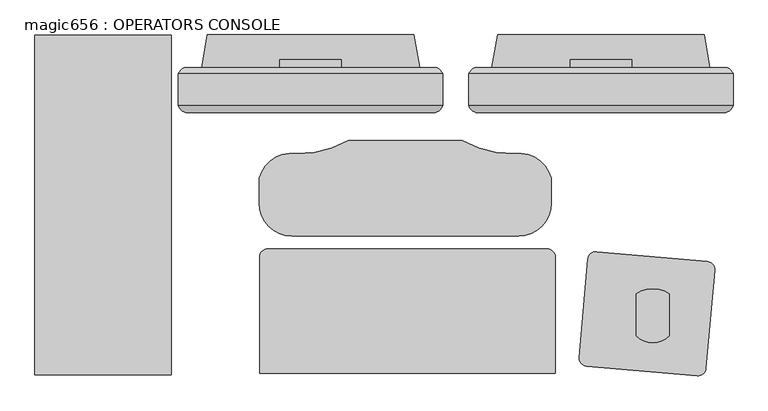
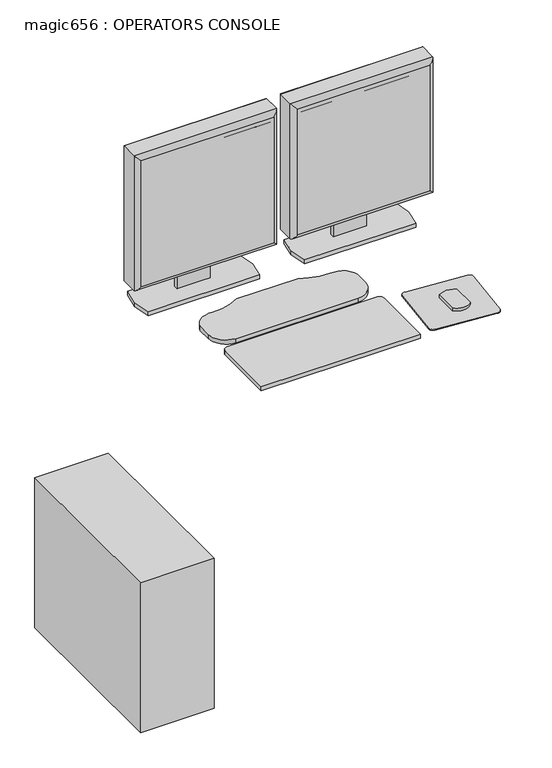
"""IFC4 building model written with IfcOpenShell, lengths in millimetres: proxy geometry, magic656 : OPERATORS CONSOLE."""

import ifcopenshell
import ifcopenshell.guid

model = None  # the IFC model being written
_history = None  # IfcOwnerHistory: only IFC2X3 demands one
_inside = {}  # id of a spatial element -> (the spatial element, [elements in it])
_under = {}  # id of a project, library or spatial element -> (it, [spatial elements below it])
_declared = {}  # id of a project -> (the project, [libraries it declares])
_typed = {}  # id of a type object -> (the type object, [elements of that type])
_made_of = {}  # id of a material, layer set ... -> (it, [elements and type objects made of it])


def new_model(schema):
    """Start an empty IFC model of exactly this schema.

    Asked for "IFC4X3", IfcOpenShell would pick the latest addendum, in which some entities
    have other attributes; the version numbers below select the first issue.
    IFC2X3 requires an IfcOwnerHistory on every rooted entity: one is made here for all.
    """
    global model, _history
    if schema == "IFC4X3":
        model = ifcopenshell.file(schema_version=(4, 3, 0, 0))
    else:
        model = ifcopenshell.file(schema=schema)
    _inside.clear()
    _under.clear()
    _declared.clear()
    _typed.clear()
    _made_of.clear()
    _history = None
    if model.schema == "IFC2X3":
        org = make("IfcOrganization", Name="unknown")
        user = make(
            "IfcPersonAndOrganization",
            ThePerson=make("IfcPerson", FamilyName="unknown"),
            TheOrganization=org,
        )
        app = make(
            "IfcApplication",
            ApplicationDeveloper=org,
            Version="unknown",
            ApplicationFullName="unknown",
            ApplicationIdentifier="unknown",
        )
        _history = make(
            "IfcOwnerHistory",
            OwningUser=user,
            OwningApplication=app,
            ChangeAction="ADDED",
            CreationDate=0,
        )
    return model


def make(cls, **values):
    """One entity of the class cls with the attributes given. An attribute that is None is left unset."""
    return model.create_entity(
        cls, **{name: value for name, value in values.items() if value is not None}
    )


def rooted(cls, **values):
    """An entity with a GlobalId (a new one), such as an element, a storey or a relation."""
    return make(cls, GlobalId=ifcopenshell.guid.new(), OwnerHistory=_history, **values)


def si_unit(unit_type, name, prefix=None):
    """IfcSIUnit, for example si_unit("LENGTHUNIT", "METRE", prefix="MILLI")."""
    return make("IfcSIUnit", UnitType=unit_type, Prefix=prefix, Name=name)


def assignment(units):
    """IfcUnitAssignment: the units of a project."""
    return None if units is None else make("IfcUnitAssignment", Units=units)


def point(xyz):
    """IfcCartesianPoint."""
    return None if xyz is None else make("IfcCartesianPoint", Coordinates=xyz)


def direction(xyz):
    """IfcDirection."""
    return None if xyz is None else make("IfcDirection", DirectionRatios=xyz)


def frame(location, z_axis=None, x_axis=None):
    """IfcAxis2Placement3D, a coordinate frame: its origin and axes. An axis left out is left unset."""
    return make(
        "IfcAxis2Placement3D",
        Location=point(location),
        Axis=direction(z_axis),
        RefDirection=direction(x_axis),
    )


def frame_2d(location, x_axis=None):
    """IfcAxis2Placement2D, a coordinate frame in the plane: its origin and x axis."""
    return make(
        "IfcAxis2Placement2D", Location=point(location), RefDirection=direction(x_axis)
    )


def origin():
    """The frame at (0, 0, 0) with its axes left unset."""
    return frame((0.0, 0.0, 0.0))


def origin_with_axes():
    """The frame at (0, 0, 0) with the z axis (0, 0, 1) and the x axis (1, 0, 0) written out."""
    return frame((0.0, 0.0, 0.0), z_axis=(0.0, 0.0, 1.0), x_axis=(1.0, 0.0, 0.0))


def place(relative_to, where):
    """IfcLocalPlacement: puts the frame where relative to a parent placement (None: the world)."""
    return make(
        "IfcLocalPlacement", PlacementRelTo=relative_to, RelativePlacement=where
    )


def context(
    kind, dimensions, precision=None, world=None, true_north=None, identifier=None
):
    """IfcGeometricRepresentationContext, for example the 3D "Model" context."""
    return make(
        "IfcGeometricRepresentationContext",
        ContextIdentifier=identifier,
        ContextType=kind,
        CoordinateSpaceDimension=dimensions,
        Precision=precision,
        WorldCoordinateSystem=world,
        TrueNorth=true_north,
    )


def project(units=None, contexts=None):
    """IfcProject with its units and contexts."""
    return rooted(
        "IfcProject",
        Name="project",
        RepresentationContexts=contexts,
        UnitsInContext=assignment(units),
    )


def spatial(cls, under=None, at=None, **own):
    """A site, building, storey or space (cls), placed at a placement, below another one or the project."""
    s = rooted(cls, ObjectPlacement=at, **own)
    if under is not None:
        _under.setdefault(under.id(), (under, []))[1].append(s)
    return s


def polyline(points):
    """IfcPolyline through the points."""
    return make("IfcPolyline", Points=[point(p) for p in points])


def circle_curve(where, radius):
    """IfcCircle in the frame where."""
    return make("IfcCircle", Position=where, Radius=radius)


def ellipse_curve(where, semi_axis1, semi_axis2):
    """IfcEllipse in the frame where."""
    return make(
        "IfcEllipse", Position=where, SemiAxis1=semi_axis1, SemiAxis2=semi_axis2
    )


def trimmed(basis, trim1, trim2, sense, master):
    """IfcTrimmedCurve: the piece of a basis curve between two trims."""
    return make(
        "IfcTrimmedCurve",
        BasisCurve=basis,
        Trim1=trim1,
        Trim2=trim2,
        SenseAgreement=sense,
        MasterRepresentation=master,
    )


def segment(curve, same_sense, transition):
    """IfcCompositeCurveSegment."""
    return make(
        "IfcCompositeCurveSegment",
        Transition=transition,
        SameSense=same_sense,
        ParentCurve=curve,
    )


def composite_curve(segments, self_intersect=None):
    """IfcCompositeCurve: segments joined end to end."""
    return make("IfcCompositeCurve", Segments=segments, SelfIntersect=self_intersect)


def outline(outer, holes=None, kind="AREA"):
    """IfcArbitraryClosedProfileDef: a profile drawn as a closed curve; with holes, ...WithVoids."""
    if holes is None:
        return make("IfcArbitraryClosedProfileDef", ProfileType=kind, OuterCurve=outer)
    return make(
        "IfcArbitraryProfileDefWithVoids",
        ProfileType=kind,
        OuterCurve=outer,
        InnerCurves=holes,
    )


def extrude(swept, where, along, depth):
    """IfcExtrudedAreaSolid: the profile swept, set in the frame where, extruded along a direction by depth."""
    return make(
        "IfcExtrudedAreaSolid",
        SweptArea=swept,
        Position=where,
        ExtrudedDirection=direction(along),
        Depth=depth,
    )


def shape(context_of_items, identifier, shape_type, items):
    """IfcShapeRepresentation: the items that make up one representation, for example the "Body"."""
    return make(
        "IfcShapeRepresentation",
        ContextOfItems=context_of_items,
        RepresentationIdentifier=identifier,
        RepresentationType=shape_type,
        Items=items,
    )


def source(mapping_origin, context_of_items, identifier, shape_type, items):
    """IfcRepresentationMap: a shape defined once, which mapped items show again and again."""
    return make(
        "IfcRepresentationMap",
        MappingOrigin=mapping_origin,
        MappedRepresentation=shape(context_of_items, identifier, shape_type, items),
    )


def transform(
    local_origin,
    x_axis=None,
    y_axis=None,
    z_axis=None,
    scale=None,
    scale2=None,
    scale3=None,
    uniform=True,
):
    """IfcCartesianTransformationOperator3D, or its non-uniform kind. x_axis, y_axis, z_axis: its Axis1, 2, 3."""
    if uniform:
        return make(
            "IfcCartesianTransformationOperator3D",
            Axis1=direction(x_axis),
            Axis2=direction(y_axis),
            LocalOrigin=point(local_origin),
            Scale=scale,
            Axis3=direction(z_axis),
        )
    return make(
        "IfcCartesianTransformationOperator3DnonUniform",
        Axis1=direction(x_axis),
        Axis2=direction(y_axis),
        LocalOrigin=point(local_origin),
        Scale=scale,
        Axis3=direction(z_axis),
        Scale2=scale2,
        Scale3=scale3,
    )


def mapped(mapping_source, mapping_target):
    """IfcMappedItem: shows the shape of a source again, moved by a transform."""
    return make(
        "IfcMappedItem", MappingSource=mapping_source, MappingTarget=mapping_target
    )


def made_of(thing, what):
    """Note that an element or type object is made of a material, layer set ...; save() writes the relation."""
    if what is not None:
        _made_of.setdefault(what.id(), (what, []))[1].append(thing)
    return thing


def element(
    cls,
    number,
    at=None,
    inside=None,
    cuts=None,
    type_object=None,
    material=None,
    context=None,
    identifier="Body",
    shape_type=None,
    held_by="IfcProductDefinitionShape",
    body=None,
    shapes=None,
    **own,
):
    """One element of the class cls, such as IfcWall. Its Tag is "e" and its number.

    at: its placement. inside: the storey or other place that contains it. cuts: it is an
    opening in that element (IfcRelVoidsElement). A single representation is given by context,
    identifier, shape_type and body (its items); several are given by shapes. held_by: the class
    of the entity that holds the representations. save() writes the other relations.
    """
    e = rooted(cls, Tag="e%d" % number, ObjectPlacement=at, **own)
    if body is not None:
        shapes = [shape(context, identifier, shape_type, body)]
    if shapes is not None:
        e.Representation = make(held_by, Representations=shapes)
    if inside is not None:
        _inside.setdefault(inside.id(), (inside, []))[1].append(e)
    if cuts is not None:
        rooted(
            "IfcRelVoidsElement", RelatingBuildingElement=cuts, RelatedOpeningElement=e
        )
    if type_object is not None:
        _typed.setdefault(type_object.id(), (type_object, []))[1].append(e)
    return made_of(e, material)


def aggregate(whole, parts):
    """IfcRelAggregates: a whole, such as a stair, and the parts it consists of."""
    return rooted("IfcRelAggregates", RelatingObject=whole, RelatedObjects=parts)


def save(model, path):
    """Write the relations noted so far, then the file.

    IfcRelAggregates (storeys below a building ...), IfcRelContainedInSpatialStructure (elements
    in a storey), IfcRelDefinesByType, IfcRelAssociatesMaterial and IfcRelDeclares: one each for
    every whole, place, type object, material and project.
    """
    for whole, parts in _under.values():
        aggregate(whole, parts)
    for where, things in _inside.values():
        rooted(
            "IfcRelContainedInSpatialStructure",
            RelatedElements=things,
            RelatingStructure=where,
        )
    for kind, things in _typed.values():
        rooted("IfcRelDefinesByType", RelatedObjects=things, RelatingType=kind)
    for what, things in _made_of.values():
        rooted("IfcRelAssociatesMaterial", RelatedObjects=things, RelatingMaterial=what)
    for by, libraries in _declared.values():
        rooted("IfcRelDeclares", RelatingContext=by, RelatedDefinitions=libraries)
    model.write(path)


def plane_surface(at):
    """IfcPlane: the flat surface through the origin of the frame at, square to its z axis."""
    return make("IfcPlane", Position=at)


def cylinder_surface(at, radius):
    """IfcCylindricalSurface: all points at the distance radius from the z axis of the frame at."""
    return make("IfcCylindricalSurface", Position=at, Radius=radius)


def advanced_brep(points, edges, surfaces, faces):
    """IfcAdvancedBrep: a solid bounded by faces that lie on surfaces and meet in shared edges.

    An edge is (start, end): straight between two places in points (the first is 0);
    or (start, end, curve); or (start, end, curve, False) where it runs against its curve.
    A face is (place in surfaces, loops), or (place, loops, False) where it looks against
    its surface's normal. A loop lists edges by number (the first is 1), with a minus sign
    where the edge is run from its end to its start. The first loop is the outer one.
    """
    corners = [point(p) for p in points]
    vertices = [make("IfcVertexPoint", VertexGeometry=c) for c in corners]
    made = []
    for start, end, *more in edges:
        made.append(
            make(
                "IfcEdgeCurve",
                EdgeStart=vertices[start],
                EdgeEnd=vertices[end],
                EdgeGeometry=more[0] if more else make("IfcPolyline", Points=[corners[start], corners[end]]),
                SameSense=more[1] if len(more) > 1 else True,
            )
        )
    hull = []
    for where, loops, *sense in faces:
        bounds = []
        for j, loop in enumerate(loops):
            ring = [make("IfcOrientedEdge", EdgeElement=made[abs(k) - 1], Orientation=k > 0) for k in loop]
            bounds.append(
                make(
                    "IfcFaceOuterBound" if j == 0 else "IfcFaceBound",
                    Bound=make("IfcEdgeLoop", EdgeList=ring),
                    Orientation=True,
                )
            )
        hull.append(make("IfcAdvancedFace", Bounds=bounds, FaceSurface=surfaces[where], SameSense=sense[0] if sense else True))
    return make("IfcAdvancedBrep", Outer=make("IfcClosedShell", CfsFaces=hull))


def magic656_operators_console_b8be84df(model_context):
    return source(origin(), model_context, "Body", "SolidModel", [
        advanced_brep(
        [(84.867805, -136.491636, 1419.86), (84.867805, -179.6223166, 1419.86), (84.867805, -184.6193594, 1419.86), (493.807805, -184.6193594, 1419.86), (493.807805, -179.6223166, 1419.86), (493.807805, -136.491636, 1419.86), (493.807805, -136.491636, 1010.2963264), (493.807805, -179.6223166, 1010.2963264), (493.807805, -184.6193594, 1010.2963264), (84.867805, -184.6193594, 1010.2963264), (84.867805, -179.6223166, 1010.2963264), (84.867805, -136.491636, 1010.2963264), (94.105441, -127.254, 1019.5339624), (94.105441, -127.254, 1410.622364), (484.5701691, -127.254, 1410.622364), (484.5701691, -127.254, 1019.5339624), (99.0319657, -196.5036769, 1405.694569), (99.0319657, -196.5036769, 1024.4617574), (479.642374, -196.5036769, 1024.460487), (479.6436444, -196.5036769, 1405.694569)],
        [
            (0, 1),
            (1, 2),
            (2, 3),
            (3, 4),
            (4, 5),
            (5, 0),
            (6, 7),
            (7, 8),
            (8, 9),
            (9, 10),
            (10, 11),
            (11, 6),
            (12, 13),
            (13, 14),
            (14, 15),
            (15, 12),
            (0, 11),
            (9, 2),
            (16, 17),
            (17, 18),
            (18, 19),
            (19, 16),
            (3, 8),
            (6, 5),
            (12, 11, ellipse_curve(frame((100.9824933, -143.3686883, 1026.4110147), z_axis=(-0.7071067811865452, 0.0, 0.7071067811865498), x_axis=(-0.7071067811865498, 0.0, -0.7071067811865452)), 24.7780962, 17.5207599)),
            (0, 13, ellipse_curve(frame((100.9824933, -143.3686883, 1403.7453117), z_axis=(-0.7071067811865498, 0.0, -0.7071067811865452), x_axis=(0.7071067811865452, 0.0, -0.7071067811865498)), 24.7780962, 17.5207599)),
            (16, 2, ellipse_curve(frame((99.0319657, -182.120838, 1405.6958394), z_axis=(-0.7071067811865498, 0.0, -0.7071067811865452), x_axis=(0.7071067811865452, 0.0, -0.7071067811865498)), 20.3404059, 14.3828389)),
            (9, 17, ellipse_curve(frame((99.0319657, -182.120838, 1024.460487), z_axis=(-0.7071067811865452, 0.0, 0.7071067811865498), x_axis=(-0.7071067811865498, 0.0, -0.7071067811865452)), 20.3404059, 14.3828389)),
            (15, 6, ellipse_curve(frame((477.6931168, -143.3686883, 1026.4110147), z_axis=(-0.7071067811865498, 0.0, -0.7071067811865452), x_axis=(0.7071067811865452, 0.0, -0.7071067811865497)), 24.7780962, 17.5207599)),
            (8, 18, ellipse_curve(frame((479.6436444, -182.120838, 1024.460487), z_axis=(-0.7071067811865498, 0.0, -0.7071067811865452), x_axis=(0.7071067811865452, 0.0, -0.7071067811865497)), 20.3404059, 14.3828389)),
            (14, 5, ellipse_curve(frame((477.6931168, -143.3686883, 1403.7453117), z_axis=(0.7071067811865452, 0.0, -0.7071067811865498), x_axis=(0.7071067811865498, 0.0, 0.7071067811865452)), 24.7780962, 17.5207599)),
            (3, 19, ellipse_curve(frame((479.6436444, -182.120838, 1405.6958394), z_axis=(0.7071067811865452, 0.0, -0.7071067811865498), x_axis=(0.7071067811865498, 0.0, 0.7071067811865452)), 20.3404059, 14.3828389)),
        ],
        [
            plane_surface(frame((89.947805, -127.254, 1419.86), z_axis=(0.0, 0.0, 1.0), x_axis=(-1.0, 0.0, 0.0))),
            plane_surface(frame((89.947805, -127.254, 1010.2963264), z_axis=(0.0, 0.0, -1.0), x_axis=(1.0, 0.0, 0.0))),
            plane_surface(frame((493.807805, -127.254, 1419.86), z_axis=(0.0, 1.0, 0.0), x_axis=(0.0, 0.0, -1.0))),
            plane_surface(frame((84.867805, -127.254, 1419.86), z_axis=(-1.0, 0.0, 0.0), x_axis=(0.0, 0.0, -1.0))),
            plane_surface(frame((84.867805, -196.5036769, 1419.86), z_axis=(0.0, -1.0, 0.0), x_axis=(0.0, 0.0, -1.0))),
            plane_surface(frame((493.807805, -196.5036769, 1419.86), z_axis=(1.0, 0.0, 0.0), x_axis=(0.0, 0.0, -1.0))),
            cylinder_surface(frame((100.9824933, -143.3686883, 1419.86), z_axis=(0.0, 0.0, -1.0), x_axis=(0.0, 1.0, 0.0)), 17.5207599),
            cylinder_surface(frame((99.0319657, -182.120838, 1419.86), z_axis=(0.0, 0.0, -1.0), x_axis=(0.0, 1.0, 0.0)), 14.3828389),
            cylinder_surface(frame((84.867805, -143.3686883, 1026.4110147), z_axis=(1.0, 0.0, 0.0), x_axis=(0.0, 1.0, 0.0)), 17.5207599),
            cylinder_surface(frame((84.867805, -182.120838, 1024.460487), z_axis=(1.0, 0.0, 0.0), x_axis=(0.0, 1.0, 0.0)), 14.3828389),
            cylinder_surface(frame((477.6931168, -143.3686883, 1010.2963264), z_axis=(0.0, 0.0, 1.0), x_axis=(0.0, 1.0, 0.0)), 17.5207599),
            cylinder_surface(frame((479.6436444, -182.120838, 1010.2963264), z_axis=(0.0, 0.0, 1.0), x_axis=(0.0, 1.0, 0.0)), 14.3828389),
            cylinder_surface(frame((493.807805, -143.3686883, 1403.7453117), z_axis=(-1.0, 0.0, 0.0), x_axis=(0.0, 1.0, 0.0)), 17.5207599),
            cylinder_surface(frame((493.807805, -182.120838, 1405.6958394), z_axis=(-1.0, 0.0, 0.0), x_axis=(0.0, 1.0, 0.0)), 14.3828389),
        ],
        [
            (0, [[1, 2, 3, 4, 5, 6]]),
            (1, [[7, 8, 9, 10, 11, 12]]),
            (2, [[13, 14, 15, 16]]),
            (3, [[-1, 17, -11, -10, 18, -2]]),
            (4, [[19, 20, 21, 22]]),
            (5, [[-5, -4, 23, -8, -7, 24]]),
            (6, [[25, -17, 26, -13]]),
            (7, [[27, -18, 28, -19]]),
            (8, [[-25, -16, 29, -12]]),
            (9, [[30, -20, -28, -9]]),
            (10, [[-29, -15, 31, -24]]),
            (11, [[32, -21, -30, -23]]),
            (12, [[-26, -6, -31, -14]]),
            (13, [[-27, -22, -32, -3]]),
        ],
    ),
        extrude(outline(polyline([(110.267805, -190.5898978), (468.407805, -190.5898978), (468.407805, -196.5036769), (110.267805, -196.5036769), (110.267805, -190.5898978)])), frame((0.0, 0.0, 1035.6963264), z_axis=(0.0, 0.0, 1.0), x_axis=(1.0, 0.0, 0.0)), (0.0, 0.0, 1.0), 358.7636736),
        extrude(outline(polyline([(-127.254, 1236.2794056), (-114.5728288, 1236.2794056), (-114.5728288, 926.6153731), (-127.254, 926.6153731), (-127.254, 1006.8339624), (-124.5167676, 1006.8339624), (-124.5167676, 1019.5339624), (-127.254, 1019.5339624), (-127.254, 1236.2794056)])), frame((241.712805, 0.0, 0.0), z_axis=(1.0, 0.0, 0.0), x_axis=(0.0, 1.0, 0.0)), (0.0, 0.0, 1.0), 95.25),
        extrude(outline(polyline([(120.681805, -127.254), (129.825805, -76.2), (448.849805, -76.2), (457.993805, -127.254), (448.849805, -178.308), (129.825805, -178.308), (120.681805, -127.254)])), frame((0.0, 0.0, 914.4), z_axis=(0.0, 0.0, 1.0), x_axis=(1.0, 0.0, 0.0)), (0.0, 0.0, 1.0), 12.2153731),
        advanced_brep(
        [(-363.982, -136.491636, 1419.86), (-363.982, -179.6223166, 1419.86), (-363.982, -184.6193594, 1419.86), (44.958, -184.6193594, 1419.86), (44.958, -179.6223166, 1419.86), (44.958, -136.491636, 1419.86), (44.958, -136.491636, 1010.2963264), (44.958, -179.6223166, 1010.2963264), (44.958, -184.6193594, 1010.2963264), (-363.982, -184.6193594, 1010.2963264), (-363.982, -179.6223166, 1010.2963264), (-363.982, -136.491636, 1010.2963264), (-354.744364, -127.254, 1019.5339624), (-354.744364, -127.254, 1410.622364), (35.720364, -127.254, 1410.622364), (35.720364, -127.254, 1019.5339624), (-349.8178394, -196.5036769, 1405.694569), (-349.8178394, -196.5036769, 1024.4617574), (30.792569, -196.5036769, 1024.460487), (30.7938394, -196.5036769, 1405.694569)],
        [
            (0, 1),
            (1, 2),
            (2, 3),
            (3, 4),
            (4, 5),
            (5, 0),
            (6, 7),
            (7, 8),
            (8, 9),
            (9, 10),
            (10, 11),
            (11, 6),
            (12, 13),
            (13, 14),
            (14, 15),
            (15, 12),
            (0, 11),
            (9, 2),
            (16, 17),
            (17, 18),
            (18, 19),
            (19, 16),
            (3, 8),
            (6, 5),
            (12, 11, ellipse_curve(frame((-347.8673117, -143.3686883, 1026.4110147), z_axis=(-0.7071067811865452, 0.0, 0.7071067811865498), x_axis=(-0.7071067811865498, 0.0, -0.7071067811865452)), 24.7780962, 17.5207599)),
            (0, 13, ellipse_curve(frame((-347.8673117, -143.3686883, 1403.7453117), z_axis=(-0.7071067811865498, 0.0, -0.7071067811865452), x_axis=(0.7071067811865452, 0.0, -0.7071067811865498)), 24.7780962, 17.5207599)),
            (16, 2, ellipse_curve(frame((-349.8178394, -182.120838, 1405.6958394), z_axis=(-0.7071067811865498, 0.0, -0.7071067811865452), x_axis=(0.7071067811865452, 0.0, -0.7071067811865498)), 20.3404059, 14.3828389)),
            (9, 17, ellipse_curve(frame((-349.8178394, -182.120838, 1024.460487), z_axis=(-0.7071067811865452, 0.0, 0.7071067811865498), x_axis=(-0.7071067811865498, 0.0, -0.7071067811865452)), 20.3404059, 14.3828389)),
            (15, 6, ellipse_curve(frame((28.8433117, -143.3686883, 1026.4110147), z_axis=(-0.7071067811865498, 0.0, -0.7071067811865452), x_axis=(0.7071067811865452, 0.0, -0.7071067811865497)), 24.7780962, 17.5207599)),
            (8, 18, ellipse_curve(frame((30.7938394, -182.120838, 1024.460487), z_axis=(-0.7071067811865498, 0.0, -0.7071067811865452), x_axis=(0.7071067811865452, 0.0, -0.7071067811865497)), 20.3404059, 14.3828389)),
            (14, 5, ellipse_curve(frame((28.8433117, -143.3686883, 1403.7453117), z_axis=(0.7071067811865452, 0.0, -0.7071067811865498), x_axis=(0.7071067811865498, 0.0, 0.7071067811865452)), 24.7780962, 17.5207599)),
            (3, 19, ellipse_curve(frame((30.7938394, -182.120838, 1405.6958394), z_axis=(0.7071067811865452, 0.0, -0.7071067811865498), x_axis=(0.7071067811865498, 0.0, 0.7071067811865452)), 20.3404059, 14.3828389)),
        ],
        [
            plane_surface(frame((-358.902, -127.254, 1419.86), z_axis=(0.0, 0.0, 1.0), x_axis=(-1.0, 0.0, 0.0))),
            plane_surface(frame((-358.902, -127.254, 1010.2963264), z_axis=(0.0, 0.0, -1.0), x_axis=(1.0, 0.0, 0.0))),
            plane_surface(frame((44.958, -127.254, 1419.86), z_axis=(0.0, 1.0, 0.0), x_axis=(0.0, 0.0, -1.0))),
            plane_surface(frame((-363.982, -127.254, 1419.86), z_axis=(-1.0, 0.0, 0.0), x_axis=(0.0, 0.0, -1.0))),
            plane_surface(frame((-363.982, -196.5036769, 1419.86), z_axis=(0.0, -1.0, 0.0), x_axis=(0.0, 0.0, -1.0))),
            plane_surface(frame((44.958, -196.5036769, 1419.86), z_axis=(1.0, 0.0, 0.0), x_axis=(0.0, 0.0, -1.0))),
            cylinder_surface(frame((-347.8673117, -143.3686883, 1419.86), z_axis=(0.0, 0.0, -1.0), x_axis=(0.0, 1.0, 0.0)), 17.5207599),
            cylinder_surface(frame((-349.8178394, -182.120838, 1419.86), z_axis=(0.0, 0.0, -1.0), x_axis=(0.0, 1.0, 0.0)), 14.3828389),
            cylinder_surface(frame((-363.982, -143.3686883, 1026.4110147), z_axis=(1.0, 0.0, 0.0), x_axis=(0.0, 1.0, 0.0)), 17.5207599),
            cylinder_surface(frame((-363.982, -182.120838, 1024.460487), z_axis=(1.0, 0.0, 0.0), x_axis=(0.0, 1.0, 0.0)), 14.3828389),
            cylinder_surface(frame((28.8433117, -143.3686883, 1010.2963264), z_axis=(0.0, 0.0, 1.0), x_axis=(0.0, 1.0, 0.0)), 17.5207599),
            cylinder_surface(frame((30.7938394, -182.120838, 1010.2963264), z_axis=(0.0, 0.0, 1.0), x_axis=(0.0, 1.0, 0.0)), 14.3828389),
            cylinder_surface(frame((44.958, -143.3686883, 1403.7453117), z_axis=(-1.0, 0.0, 0.0), x_axis=(0.0, 1.0, 0.0)), 17.5207599),
            cylinder_surface(frame((44.958, -182.120838, 1405.6958394), z_axis=(-1.0, 0.0, 0.0), x_axis=(0.0, 1.0, 0.0)), 14.3828389),
        ],
        [
            (0, [[1, 2, 3, 4, 5, 6]]),
            (1, [[7, 8, 9, 10, 11, 12]]),
            (2, [[13, 14, 15, 16]]),
            (3, [[-1, 17, -11, -10, 18, -2]]),
            (4, [[19, 20, 21, 22]]),
            (5, [[-5, -4, 23, -8, -7, 24]]),
            (6, [[25, -17, 26, -13]]),
            (7, [[27, -18, 28, -19]]),
            (8, [[-25, -16, 29, -12]]),
            (9, [[30, -20, -28, -9]]),
            (10, [[-29, -15, 31, -24]]),
            (11, [[32, -21, -30, -23]]),
            (12, [[-26, -6, -31, -14]]),
            (13, [[-27, -22, -32, -3]]),
        ],
    ),
        extrude(outline(polyline([(-338.582, -190.5898978), (19.558, -190.5898978), (19.558, -196.5036769), (-338.582, -196.5036769), (-338.582, -190.5898978)])), frame((0.0, 0.0, 1035.6963264), z_axis=(0.0, 0.0, 1.0), x_axis=(1.0, 0.0, 0.0)), (0.0, 0.0, 1.0), 358.7636736),
        extrude(outline(polyline([(-127.254, 1236.2794056), (-114.5728288, 1236.2794056), (-114.5728288, 926.6153731), (-127.254, 926.6153731), (-127.254, 1006.8339624), (-124.5167676, 1006.8339624), (-124.5167676, 1019.5339624), (-127.254, 1019.5339624), (-127.254, 1236.2794056)])), frame((-207.137, 0.0, 0.0), z_axis=(1.0, 0.0, 0.0), x_axis=(0.0, 1.0, 0.0)), (0.0, 0.0, 1.0), 95.25),
        extrude(outline(polyline([(-585.7829933, -601.98), (-585.7829933, -76.2), (-374.9629933, -76.2), (-374.9629933, -601.98), (-585.7829933, -601.98)])), origin_with_axes(), (0.0, 0.0, 1.0), 454.66),
        extrude(outline(composite_curve([segment(trimmed(circle_curve(frame_2d((-188.3957152, -336.9073388)), 50.8), [point((-188.3957152, -387.7073388))], [point((-239.1957152, -336.9073388))], False, "CARTESIAN"), True, "CONTINUOUS"), segment(polyline([(-239.1957152, -336.9073388), (-239.1957152, -298.0826862)]), True, "CONTINUOUS"), segment(trimmed(circle_curve(frame_2d((-189.1990049, -311.5124251)), 51.7689959), [point((-239.1957152, -298.0826862))], [point((-182.1640967, -260.2236446))], False, "CARTESIAN"), True, "CONTINUOUS"), segment(trimmed(circle_curve(frame_2d((-178.1921881, -105.2358731)), 155.0386577), [point((-182.1640967, -260.2236446))], [point((-101.2816124, -239.8529178))], True, "CARTESIAN"), True, "CONTINUOUS"), segment(trimmed(circle_curve(frame_2d((-13.1357152, -1092.2236316)), 856.9162929), [point((-101.2816124, -239.8529178))], [point((75.0101819, -239.8529178))], False, "CARTESIAN"), True, "CONTINUOUS"), segment(trimmed(circle_curve(frame_2d((151.9207577, -105.2358731)), 155.0386577), [point((75.0101819, -239.8529178))], [point((155.8926662, -260.2236446))], True, "CARTESIAN"), True, "CONTINUOUS"), segment(trimmed(circle_curve(frame_2d((162.9275744, -311.5124251)), 51.7689959), [point((155.8926662, -260.2236446))], [point((212.9242848, -298.0826862))], False, "CARTESIAN"), True, "CONTINUOUS"), segment(polyline([(212.9242848, -298.0826862), (212.9242848, -336.9073388)]), True, "CONTINUOUS"), segment(trimmed(circle_curve(frame_2d((162.1242848, -336.9073388)), 50.8), [point((212.9242848, -336.9073388))], [point((162.1242848, -387.7073388))], False, "CARTESIAN"), True, "CONTINUOUS"), segment(polyline([(162.1242848, -387.7073388), (-188.3957152, -387.7073388)]), True, "CONTINUOUS")], self_intersect=False)), frame((0.0, 0.0, 914.4), z_axis=(0.0, 0.0, 1.0), x_axis=(1.0, 0.0, 0.0)), (0.0, 0.0, 1.0), 12.2153731),
        extrude(outline(composite_curve([segment(trimmed(circle_curve(frame_2d((281.6515965, -424.5127358)), 12.7), [point((268.9999238, -423.4058579))], [point((282.7584744, -411.8610632))], False, "CARTESIAN"), True, "CONTINUOUS"), segment(polyline([(282.7584744, -411.8610632), (453.5560554, -426.8039153)]), True, "CONTINUOUS"), segment(trimmed(circle_curve(frame_2d((452.4491775, -439.4555879)), 12.7), [point((453.5560554, -426.8039153))], [point((465.1008502, -440.5624658))], False, "CARTESIAN"), True, "CONTINUOUS"), segment(polyline([(465.1008502, -440.5624658), (451.818315, -592.3825378)]), True, "CONTINUOUS"), segment(trimmed(circle_curve(frame_2d((439.1666423, -591.2756599)), 12.7), [point((451.818315, -592.3825378))], [point((438.0597644, -603.9273326))], False, "CARTESIAN"), True, "CONTINUOUS"), segment(polyline([(438.0597644, -603.9273326), (267.2621834, -588.9844805)]), True, "CONTINUOUS"), segment(trimmed(circle_curve(frame_2d((268.3690613, -576.3328078)), 12.7), [point((267.2621834, -588.9844805))], [point((255.7173886, -575.2259299))], False, "CARTESIAN"), True, "CONTINUOUS"), segment(polyline([(255.7173886, -575.2259299), (268.9999238, -423.4058579)]), True, "CONTINUOUS")], self_intersect=False)), frame((0.0, 0.0, 914.4), z_axis=(0.0, 0.0, 1.0), x_axis=(1.0, 0.0, 0.0)), (0.0, 0.0, 1.0), 2.9133962),
        extrude(outline(composite_curve([segment(trimmed(circle_curve(frame_2d((369.5942809, -517.3693638)), 35.5491443), [point((394.9942809, -542.2406657))], [point((344.1942809, -542.2406657))], False, "CARTESIAN"), True, "CONTINUOUS"), segment(polyline([(344.1942809, -542.2406657), (344.1942809, -476.945319)]), True, "CONTINUOUS"), segment(trimmed(circle_curve(frame_2d((369.5942809, -515.1227321)), 45.8549329), [point((344.1942809, -476.945319))], [point((394.9942809, -476.945319))], False, "CARTESIAN"), True, "CONTINUOUS"), segment(polyline([(394.9942809, -476.945319), (394.9942809, -542.2406657)]), True, "CONTINUOUS")], self_intersect=False)), frame((0.0, 0.0, 917.3133962), z_axis=(0.0, 0.0, 1.0), x_axis=(1.0, 0.0, 0.0)), (0.0, 0.0, 1.0), 9.3019768),
        extrude(outline(polyline([(-328.168, -127.254), (-319.024, -76.2), (0.0, -76.2), (9.144, -127.254), (0.0, -178.308), (-319.024, -178.308), (-328.168, -127.254)])), frame((0.0, 0.0, 914.4), z_axis=(0.0, 0.0, 1.0), x_axis=(1.0, 0.0, 0.0)), (0.0, 0.0, 1.0), 12.2153731),
        extrude(outline(composite_curve([segment(trimmed(circle_curve(frame_2d((-225.7227996, -420.272695)), 12.7), [point((-238.4227996, -420.272695))], [point((-225.7227996, -407.572695))], False, "CARTESIAN"), True, "CONTINUOUS"), segment(polyline([(-225.7227996, -407.572695), (206.0772004, -407.572695)]), True, "CONTINUOUS"), segment(trimmed(circle_curve(frame_2d((206.0772004, -420.272695)), 12.7), [point((206.0772004, -407.572695))], [point((218.7772004, -420.272695))], False, "CARTESIAN"), True, "CONTINUOUS"), segment(polyline([(218.7772004, -420.272695), (218.7772004, -600.3435701)]), True, "CONTINUOUS"), segment(trimmed(circle_curve(frame_2d((-9.8227996, 1699.9107469)), 2311.5855777), [point((218.7772004, -600.3435701))], [point((-238.4227996, -600.3435701))], False, "CARTESIAN"), True, "CONTINUOUS"), segment(polyline([(-238.4227996, -600.3435701), (-238.4227996, -420.272695)]), True, "CONTINUOUS")], self_intersect=False)), frame((0.0, 0.0, 914.4), z_axis=(0.0, 0.0, 1.0), x_axis=(1.0, 0.0, 0.0)), (0.0, 0.0, 1.0), 12.2153731),
    ])


if __name__ == "__main__":
    model = new_model("IFC4")
    model_context = context("Model", 3, world=origin())
    ifc_project = project(units=[si_unit("LENGTHUNIT", "METRE", prefix="MILLI")], contexts=[model_context])
    site = spatial("IfcSite", under=ifc_project)
    building = spatial("IfcBuilding", under=site)
    placement = place(None, origin())
    magic656_operators_console_shape = magic656_operators_console_b8be84df(model_context)
    element("IfcBuildingElementProxy", 1, Name="magic656 : OPERATORS CONSOLE", ObjectType="magic656 : OPERATORS CONSOLE", at=placement, inside=building, context=model_context, shape_type="MappedRepresentation", body=[
        mapped(magic656_operators_console_shape, transform((0.0, 0.0, 0.0), x_axis=(1.0, 0.0, 0.0), y_axis=(0.0, 1.0, 0.0), z_axis=(0.0, 0.0, 1.0))),
    ])
    save(model, "model.ifc")
